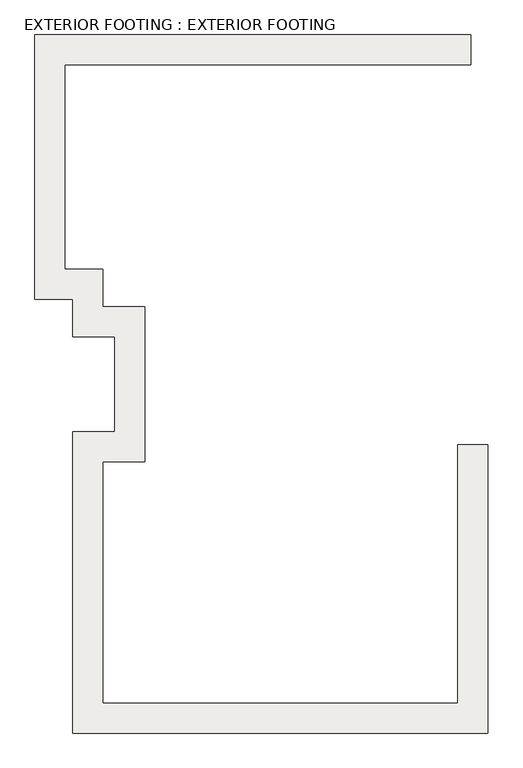
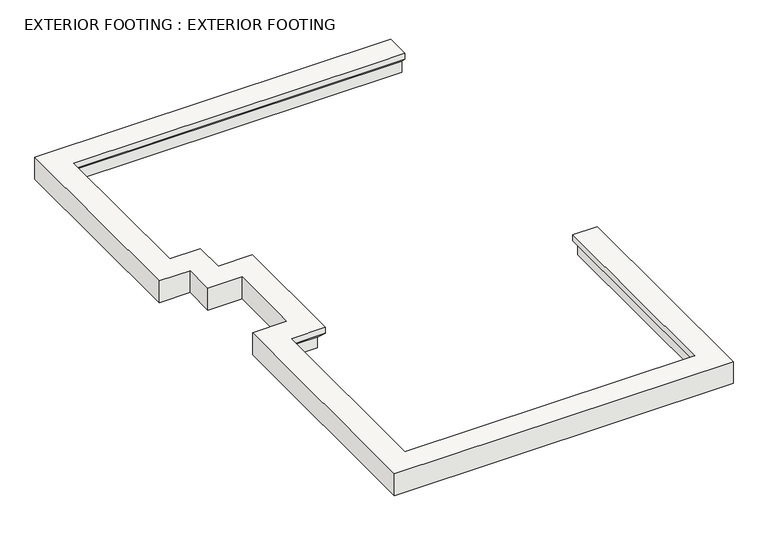
"""IFC4 building model written with IfcOpenShell, lengths in millimetres: slab geometry, EXTERIOR FOOTING : EXTERIOR FOOTING."""

from ifc_helpers import new_model, si_unit, origin, place, context, project, spatial, faceted_brep, source, transform, mapped, element, save


def exterior_footing_exterior_footing_9b35f7e3(model_context):
    return source(origin(), model_context, "Body", "Brep", [
        faceted_brep([(-2292.550751, -310.1593627, -228.6), (-2292.550751, -310.1593627, -457.2), (-2292.550751, -4589.7789663, -457.2), (-2292.550751, -4589.7789663, -228.6), (-2394.150751, -310.1593627, -127.0), (-2394.150751, -4488.1789663, -127.0), (-2394.150751, -310.1593627, 0.0), (-2394.150751, -4488.1789663, 0.0), (-2394.150751, -399.0593627, 0.0), (-1911.550751, -310.1593627, -457.2), (-1911.550751, -310.1593627, 0.0), (-1911.550751, -4970.7789663, 0.0), (-1911.550751, -4970.7789663, -457.2), (-8236.150751, -4589.7789663, -457.2), (-8236.150751, -4589.7789663, -228.6), (-8134.550751, -4488.1789663, -127.0), (-8134.550751, -4488.1789663, 0.0), (-8617.150751, -4970.7789663, 0.0), (-8617.150751, -4970.7789663, -457.2), (-8236.150751, -487.6789663, -457.2), (-8236.150751, -487.6789663, -228.6), (-8134.550751, -589.2789663, -127.0), (-8134.550751, -589.2789663, 0.0), (-8617.150751, -106.6789663, 0.0), (-8617.150751, -106.6789663, -457.2), (-7556.700751, -487.6789663, -457.2), (-7556.700751, -487.6789663, -228.6), (-7455.100751, -589.2789663, -127.0), (-7455.100751, -589.2789663, 0.0), (-7937.700751, -106.6789663, 0.0), (-7937.700751, -106.6789663, -457.2), (-7556.700751, 1811.0210337, -457.2), (-7556.700751, 1811.0210337, -228.6), (-7455.100751, 1912.6210337, -127.0), (-7455.100751, 1912.6210337, 0.0), (-7937.700751, 1429.7406373, 0.0), (-7937.700751, 1430.0210337, 0.0), (-7937.700751, 1430.0210337, -127.0), (-7937.700751, 1430.0210337, -457.2), (-8236.150751, 1811.0210337, -457.2), (-8236.150751, 1811.0210337, -228.6), (-8134.550751, 1912.6210337, -127.0), (-8134.550751, 1912.6210337, 0.0), (-8617.150751, 1430.0210337, 0.0), (-8617.150751, 1430.0210337, -457.2), (-8236.150751, 2420.6210337, -457.2), (-8236.150751, 2420.6210337, -228.6), (-8134.550751, 2522.2210337, -127.0), (-8134.550751, 2522.2210337, 0.0), (-8617.150751, 2039.3406373, 0.0), (-8617.150751, 2039.6210337, 0.0), (-8617.150751, 2039.6210337, -127.0), (-8617.150751, 2039.6210337, -457.2), (-8845.750751, 2420.6210337, -457.2), (-8845.750751, 2420.6210337, -228.6), (-8744.150751, 2522.2210337, -127.0), (-8744.150751, 2522.2210337, 0.0), (-9226.750751, 2039.6210337, 0.0), (-9226.750751, 2039.6210337, -457.2), (-8845.750751, 5925.8210337, -457.2), (-8845.750751, 5925.8210337, -228.6), (-8744.150751, 5824.2210337, -127.0), (-8744.150751, 5824.2210337, 0.0), (-9226.750751, 6306.8210337, 0.0), (-9226.750751, 6306.8210337, -457.2), (-2182.8553132, 5925.8210337, -457.2), (-2182.8553132, 5925.8210337, -228.6), (-2182.8553132, 5824.2210337, -127.0), (-2182.8553132, 5824.2210337, 0.0), (-2762.2928132, 5824.2210337, 0.0), (-2182.8553132, 6306.8210337, 0.0), (-2182.8553132, 6306.8210337, -457.2)], [[[0, 1, 2, 3]], [[4, 0, 3, 5]], [[6, 4, 5, 7, 8]], [[9, 10, 11, 12]], [[3, 2, 13, 14]], [[5, 3, 14, 15]], [[7, 5, 15, 16]], [[12, 11, 17, 18]], [[14, 13, 19, 20]], [[15, 14, 20, 21]], [[16, 15, 21, 22]], [[18, 17, 23, 24]], [[20, 19, 25, 26]], [[21, 20, 26, 27]], [[22, 21, 27, 28]], [[24, 23, 29, 30]], [[26, 25, 31, 32]], [[27, 26, 32, 33]], [[28, 27, 33, 34]], [[30, 29, 35, 36, 37, 38]], [[32, 31, 39, 40]], [[33, 32, 40, 41]], [[34, 33, 41, 42]], [[38, 37, 36, 43, 44]], [[40, 39, 45, 46]], [[41, 40, 46, 47]], [[42, 41, 47, 48]], [[44, 43, 49, 50, 51, 52]], [[46, 45, 53, 54]], [[47, 46, 54, 55]], [[48, 47, 55, 56]], [[52, 51, 50, 57, 58]], [[54, 53, 59, 60]], [[55, 54, 60, 61]], [[56, 55, 61, 62]], [[58, 57, 63, 64]], [[60, 59, 65, 66]], [[61, 60, 66, 67]], [[62, 61, 67, 68, 69]], [[64, 63, 70, 71]], [[9, 1, 0, 4, 6, 10]], [[71, 70, 68, 67, 66, 65]], [[1, 9, 12, 18, 24, 30, 38, 44, 52, 58, 64, 71, 65, 59, 53, 45, 39, 31, 25, 19, 13, 2]], [[10, 6, 8, 7, 16, 22, 28, 34, 42, 48, 56, 62, 69, 68, 70, 63, 57, 50, 49, 43, 36, 35, 29, 23, 17, 11]]]),
    ])


if __name__ == "__main__":
    model = new_model("IFC4")
    model_context = context("Model", 3, world=origin())
    ifc_project = project(units=[si_unit("LENGTHUNIT", "METRE", prefix="MILLI")], contexts=[model_context])
    site = spatial("IfcSite", under=ifc_project)
    building = spatial("IfcBuilding", under=site)
    placement = place(None, origin())
    exterior_footing_exterior_footing_shape = exterior_footing_exterior_footing_9b35f7e3(model_context)
    element("IfcSlab", 1, ObjectType="EXTERIOR FOOTING : EXTERIOR FOOTING", at=placement, inside=building, context=model_context, shape_type="MappedRepresentation", body=[
        mapped(exterior_footing_exterior_footing_shape, transform((0.0, 0.0, 0.0), x_axis=(1.0, 0.0, 0.0), y_axis=(0.0, 1.0, 0.0), z_axis=(0.0, 0.0, 1.0))),
    ])
    save(model, "model.ifc")
